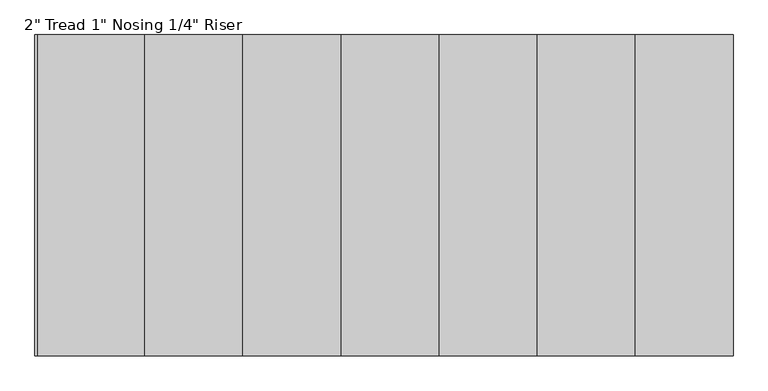
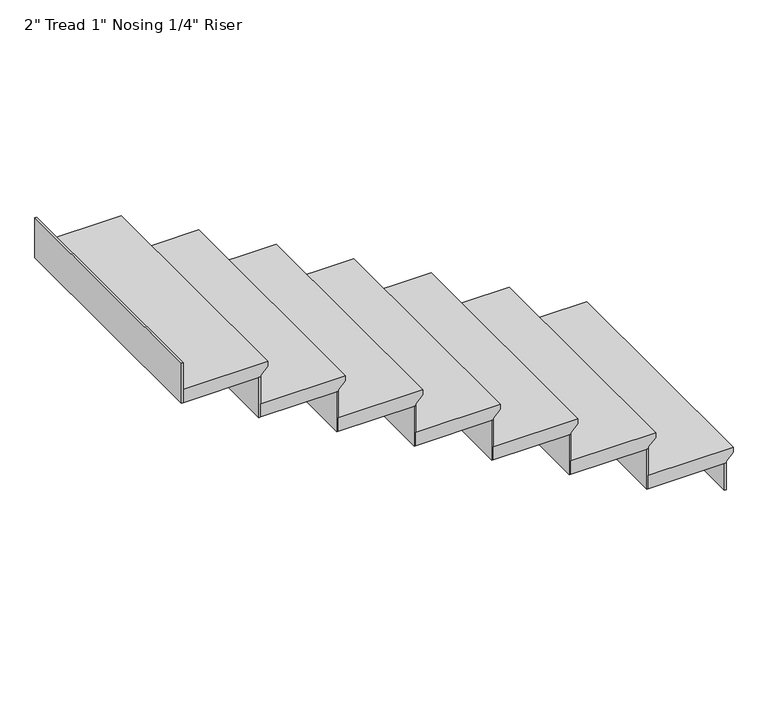
"""IFC4 building model written with IfcOpenShell, lengths in millimetres: stair flight geometry."""

from ifc_helpers import new_model, si_unit, frame, origin, place, context, project, spatial, polyline, outline, extrude, source, transform, mapped, element, save


def stair_flight_a3a32dc3(model_context):
    return source(origin(), model_context, "Body", "SweptSolid", [
        extrude(outline(polyline([(-1066.8, 60301.7925671), (-1066.8, 59996.9925671), (-1117.6, 59996.9925671), (-1117.6, 60276.3925671), (-1111.25, 60276.3925671), (-1085.85, 60301.7925671), (-1066.8, 60301.7925671)])), frame((0.0, 58706.7311601, 0.0), z_axis=(0.0, 1.0, 0.0), x_axis=(0.0, 0.0, 1.0)), (0.0, 0.0, 1.0), 914.4),
        extrude(outline(polyline([(60270.0425671, 59621.1311601), (60276.3925671, 59621.1311601), (60276.3925671, 58706.7311601), (60270.0425671, 58706.7311601), (60270.0425671, 59621.1311601)])), frame((0.0, 0.0, -1219.2), z_axis=(0.0, 0.0, 1.0), x_axis=(1.0, 0.0, 0.0)), (0.0, 0.0, 1.0), 101.6),
        extrude(outline(polyline([(59990.6425671, 59621.1311601), (59996.9925671, 59621.1311601), (59996.9925671, 58706.7311601), (59990.6425671, 58706.7311601), (59990.6425671, 59621.1311601)])), frame((0.0, 0.0, -1117.6), z_axis=(0.0, 0.0, 1.0), x_axis=(1.0, 0.0, 0.0)), (0.0, 0.0, 1.0), 152.4),
        extrude(outline(polyline([(-914.4, 60022.3925671), (-914.4, 59717.5925671), (-965.2, 59717.5925671), (-965.2, 59996.9925671), (-958.85, 59996.9925671), (-933.45, 60022.3925671), (-914.4, 60022.3925671)])), frame((0.0, 58706.7311601, 0.0), z_axis=(0.0, 1.0, 0.0), x_axis=(0.0, 0.0, 1.0)), (0.0, 0.0, 1.0), 914.4),
        extrude(outline(polyline([(59711.2425671, 59621.1311601), (59717.5925671, 59621.1311601), (59717.5925671, 58706.7311601), (59711.2425671, 58706.7311601), (59711.2425671, 59621.1311601)])), frame((0.0, 0.0, -965.2), z_axis=(0.0, 0.0, 1.0), x_axis=(1.0, 0.0, 0.0)), (0.0, 0.0, 1.0), 152.4),
        extrude(outline(polyline([(-762.0, 59742.9925671), (-762.0, 59438.1925671), (-812.8, 59438.1925671), (-812.8, 59717.5925671), (-806.45, 59717.5925671), (-781.05, 59742.9925671), (-762.0, 59742.9925671)])), frame((0.0, 58706.7311601, 0.0), z_axis=(0.0, 1.0, 0.0), x_axis=(0.0, 0.0, 1.0)), (0.0, 0.0, 1.0), 914.4),
        extrude(outline(polyline([(59431.8425671, 59621.1311601), (59438.1925671, 59621.1311601), (59438.1925671, 58706.7311601), (59431.8425671, 58706.7311601), (59431.8425671, 59621.1311601)])), frame((0.0, 0.0, -812.8), z_axis=(0.0, 0.0, 1.0), x_axis=(1.0, 0.0, 0.0)), (0.0, 0.0, 1.0), 152.4),
        extrude(outline(polyline([(-609.6, 59463.5925671), (-609.6, 59158.7925671), (-660.4, 59158.7925671), (-660.4, 59438.1925671), (-654.05, 59438.1925671), (-628.65, 59463.5925671), (-609.6, 59463.5925671)])), frame((0.0, 58706.7311601, 0.0), z_axis=(0.0, 1.0, 0.0), x_axis=(0.0, 0.0, 1.0)), (0.0, 0.0, 1.0), 914.4),
        extrude(outline(polyline([(59152.4425671, 59621.1311601), (59158.7925671, 59621.1311601), (59158.7925671, 58706.7311601), (59152.4425671, 58706.7311601), (59152.4425671, 59621.1311601)])), frame((0.0, 0.0, -660.4), z_axis=(0.0, 0.0, 1.0), x_axis=(1.0, 0.0, 0.0)), (0.0, 0.0, 1.0), 152.4),
        extrude(outline(polyline([(-457.2, 59184.1925671), (-457.2, 58879.3925671), (-508.0, 58879.3925671), (-508.0, 59158.7925671), (-501.65, 59158.7925671), (-476.25, 59184.1925671), (-457.2, 59184.1925671)])), frame((0.0, 58706.7311601, 0.0), z_axis=(0.0, 1.0, 0.0), x_axis=(0.0, 0.0, 1.0)), (0.0, 0.0, 1.0), 914.4),
        extrude(outline(polyline([(58873.0425671, 59621.1311601), (58879.3925671, 59621.1311601), (58879.3925671, 58706.7311601), (58873.0425671, 58706.7311601), (58873.0425671, 59621.1311601)])), frame((0.0, 0.0, -508.0), z_axis=(0.0, 0.0, 1.0), x_axis=(1.0, 0.0, 0.0)), (0.0, 0.0, 1.0), 152.4),
        extrude(outline(polyline([(-304.8, 58904.7925671), (-304.8, 58599.9925671), (-355.6, 58599.9925671), (-355.6, 58879.3925671), (-349.25, 58879.3925671), (-323.85, 58904.7925671), (-304.8, 58904.7925671)])), frame((0.0, 58706.7311601, 0.0), z_axis=(0.0, 1.0, 0.0), x_axis=(0.0, 0.0, 1.0)), (0.0, 0.0, 1.0), 914.4),
        extrude(outline(polyline([(58593.6425671, 59621.1311601), (58599.9925671, 59621.1311601), (58599.9925671, 58706.7311601), (58593.6425671, 58706.7311601), (58593.6425671, 59621.1311601)])), frame((0.0, 0.0, -355.6), z_axis=(0.0, 0.0, 1.0), x_axis=(1.0, 0.0, 0.0)), (0.0, 0.0, 1.0), 152.4),
        extrude(outline(polyline([(58314.2425671, 59621.1311601), (58320.5925671, 59621.1311601), (58320.5925671, 58706.7311601), (58314.2425671, 58706.7311601), (58314.2425671, 59621.1311601)])), frame((0.0, 0.0, -203.2), z_axis=(0.0, 0.0, 1.0), x_axis=(1.0, 0.0, 0.0)), (0.0, 0.0, 1.0), 152.4),
        extrude(outline(polyline([(-152.4, 58625.3925671), (-152.4, 58320.5925671), (-203.2, 58320.5925671), (-203.2, 58599.9925671), (-196.85, 58599.9925671), (-171.45, 58625.3925671), (-152.4, 58625.3925671)])), frame((0.0, 58706.7311601, 0.0), z_axis=(0.0, 1.0, 0.0), x_axis=(0.0, 0.0, 1.0)), (0.0, 0.0, 1.0), 914.4),
    ])


if __name__ == "__main__":
    model = new_model("IFC4")
    model_context = context("Model", 3, world=origin())
    ifc_project = project(units=[si_unit("LENGTHUNIT", "METRE", prefix="MILLI")], contexts=[model_context])
    site = spatial("IfcSite", under=ifc_project)
    building = spatial("IfcBuilding", under=site)
    placement = place(None, origin())
    stair_flight_shape = stair_flight_a3a32dc3(model_context)
    element("IfcStairFlight", 1, ObjectType="2\" Tread 1\" Nosing 1/4\" Riser", at=placement, inside=building, context=model_context, shape_type="MappedRepresentation", body=[
        mapped(stair_flight_shape, transform((0.0, 0.0, 0.0), x_axis=(1.0, 0.0, 0.0), y_axis=(0.0, 1.0, 0.0), z_axis=(0.0, 0.0, 1.0))),
    ])
    save(model, "model.ifc")
